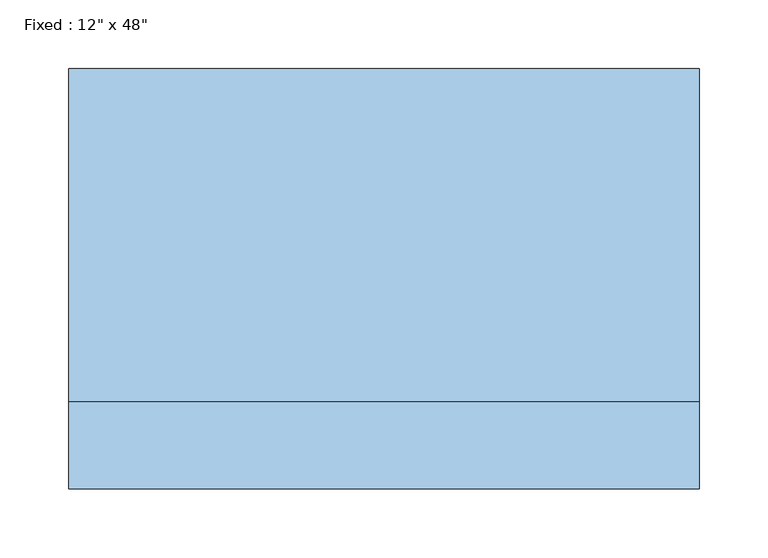
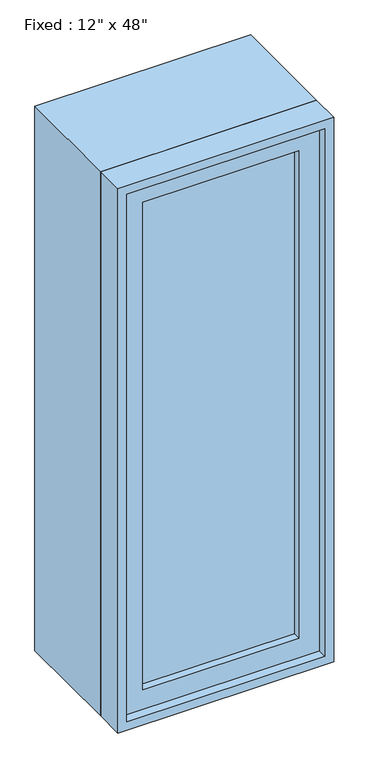
"""IFC4 building model written with IfcOpenShell, lengths in millimetres: window geometry."""

from ifc_helpers import new_model, si_unit, frame, origin, place, context, project, spatial, polyline, outline, extrude, source, transform, mapped, element, save


def window_98548fc2(model_context):
    return source(origin(), model_context, "Body", "SweptSolid", [
        extrude(outline(polyline([(127.0, -104.775), (127.0, -117.475), (-203.2, -117.475), (-203.2, -104.775), (127.0, -104.775)])), frame((0.0, 0.0, 977.9), z_axis=(0.0, 0.0, 1.0), x_axis=(1.0, 0.0, 0.0)), (0.0, 0.0, 1.0), 1092.2),
        extrude(outline(polyline([(2114.55, -247.65), (933.45, -247.65), (933.45, 171.45), (2114.55, 171.45), (2114.55, -247.65)]), holes=[polyline([(2070.1, -203.2), (2070.1, 127.0), (977.9, 127.0), (977.9, -203.2), (2070.1, -203.2)])]), frame((0.0, -133.35, 0.0), z_axis=(0.0, 1.0, 0.0), x_axis=(0.0, 0.0, 1.0)), (0.0, 0.0, 1.0), 44.45),
        extrude(outline(polyline([(2133.6, -266.7), (914.4, -266.7), (914.4, 190.5), (2133.6, 190.5), (2133.6, -266.7)]), holes=[polyline([(2101.85, -234.95), (2101.85, 158.75), (946.15, 158.75), (946.15, -234.95), (2101.85, -234.95)])]), frame((0.0, -88.9, 0.0), z_axis=(0.0, 1.0, 0.0), x_axis=(0.0, 0.0, 1.0)), (0.0, 0.0, 1.0), 241.3),
        extrude(outline(polyline([(2133.6, 190.5), (2133.6, -266.7), (914.4, -266.7), (914.4, 190.5), (2133.6, 190.5)]), holes=[polyline([(2114.55, 171.45), (933.45, 171.45), (933.45, -247.65), (2114.55, -247.65), (2114.55, 171.45)])]), frame((0.0, -152.4, 0.0), z_axis=(0.0, 1.0, 0.0), x_axis=(0.0, 0.0, 1.0)), (0.0, 0.0, 1.0), 63.5),
    ])


if __name__ == "__main__":
    model = new_model("IFC4")
    model_context = context("Model", 3, world=origin())
    ifc_project = project(units=[si_unit("LENGTHUNIT", "METRE", prefix="MILLI")], contexts=[model_context])
    site = spatial("IfcSite", under=ifc_project)
    building = spatial("IfcBuilding", under=site)
    placement = place(None, origin())
    window_shape = window_98548fc2(model_context)
    element("IfcWindow", 1, ObjectType="Fixed : 12\" x 48\"", at=placement, inside=building, context=model_context, shape_type="MappedRepresentation", body=[
        mapped(window_shape, transform((0.0, 0.0, 0.0), x_axis=(1.0, 0.0, 0.0), y_axis=(0.0, 1.0, 0.0), z_axis=(0.0, 0.0, 1.0))),
    ])
    save(model, "model.ifc")
